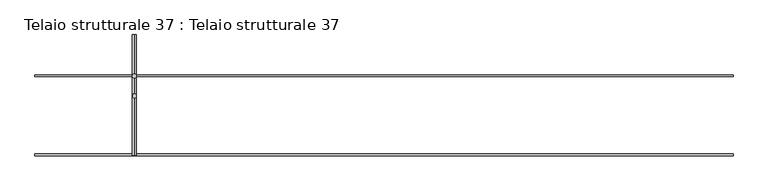
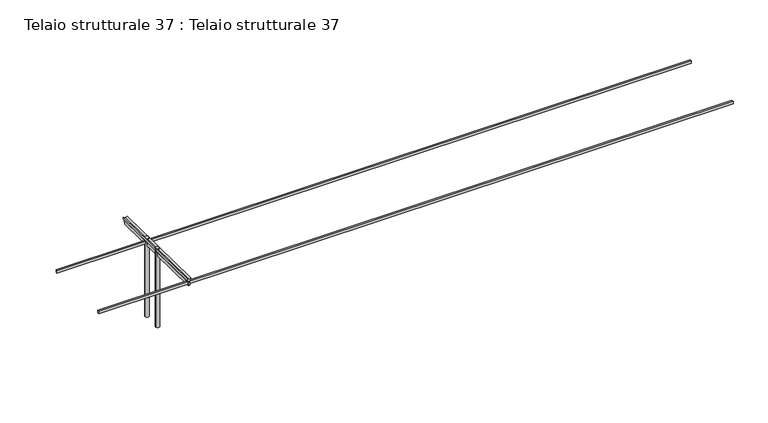
"""IFC4 building model written with IfcOpenShell, lengths in millimetres: beam geometry, Telaio strutturale 37 : Telaio strutturale 37."""

from ifc_helpers import new_model, si_unit, point, frame, frame_2d, origin, place, context, project, spatial, polyline, circle_curve, trimmed, segment, composite_curve, outline, extrude, source, transform, mapped, element, save


def telaio_strutturale_37_telaio_strutturale_37_7aaaa55e(model_context):
    return source(origin(), model_context, "Body", "SweptSolid", [
        extrude(outline(polyline([(-56047.6584895, 98763.4343272), (-56047.6584895, 98718.475019), (-73381.9771244, 98718.475019), (-73381.9771244, 98763.4343272), (-56047.6584895, 98763.4343272)])), frame((0.0, 0.0, -312.5), z_axis=(0.0, 0.0, 1.0), x_axis=(1.0, 0.0, 0.0)), (0.0, 0.0, 1.0), 69.0),
        extrude(outline(polyline([(-56047.6584895, 96795.8836994), (-56047.6584895, 96745.8836994), (-73381.9771244, 96745.8836994), (-73381.9771244, 96795.8836994), (-56047.6584895, 96795.8836994)])), frame((0.0, 0.0, -288.535578), z_axis=(0.0, 0.0, 1.0), x_axis=(1.0, 0.0, 0.0)), (0.0, 0.0, 1.0), 70.0),
        extrude(outline(polyline([(55.0, 0.0), (90.6307787, 42.2618262), (110.3377919, 1e-07), (97.4462151, -15.290757), (112.2378542, -47.0115294), (103.1747764, -51.2377121), (149.6627852, -150.9315687), (108.8789348, -169.9493904), (62.390926, -70.2555339), (53.3278481, -74.4817165), (38.5362089, -42.7609439), (16.3319907, -42.7609439), (-3.607765, 0.0), (55.0, 0.0)])), frame((-70961.8049822, 99761.9096789, -177.6942678), z_axis=(2.3026510564431654e-06, -0.9998668847666168, 0.016316027145080132), x_axis=(0.9061884721947285, -0.006897537941151485, -0.4228177820666181)), (0.0, 0.0, 1.0), 3014.9581714),
        extrude(outline(composite_curve([segment(trimmed(circle_curve(frame_2d((-70910.5795273, 98738.9352677)), 50.0), [point((-70960.5795273, 98738.9352677))], [point((-70860.5795273, 98738.9352677))], False, "CARTESIAN"), True, "CONTINUOUS"), segment(trimmed(circle_curve(frame_2d((-70910.5795273, 98738.9352677)), 50.0), [point((-70860.5795273, 98738.9352677))], [point((-70960.5795273, 98738.9352677))], False, "CARTESIAN"), True, "CONTINUOUS")], self_intersect=False)), frame((0.0, 0.0, -2420.5), z_axis=(0.0, 0.0, 1.0), x_axis=(1.0, 0.0, 0.0)), (0.0, 0.0, 1.0), 2267.4013682),
        extrude(outline(composite_curve([segment(trimmed(circle_curve(frame_2d((-70910.5795273, 98240.2930077)), 50.0), [point((-70960.5795273, 98240.2930077))], [point((-70860.5795273, 98240.2930077))], False, "CARTESIAN"), True, "CONTINUOUS"), segment(trimmed(circle_curve(frame_2d((-70910.5795273, 98240.2930077)), 50.0), [point((-70860.5795273, 98240.2930077))], [point((-70960.5795273, 98240.2930077))], False, "CARTESIAN"), True, "CONTINUOUS")], self_intersect=False)), frame((0.0, 0.0, -2420.5), z_axis=(0.0, 0.0, 1.0), x_axis=(1.0, 0.0, 0.0)), (0.0, 0.0, 1.0), 2267.4013682),
    ])


if __name__ == "__main__":
    model = new_model("IFC4")
    model_context = context("Model", 3, world=origin())
    ifc_project = project(units=[si_unit("LENGTHUNIT", "METRE", prefix="MILLI")], contexts=[model_context])
    site = spatial("IfcSite", under=ifc_project)
    building = spatial("IfcBuilding", under=site)
    placement = place(None, origin())
    telaio_strutturale_37_telaio_strutturale_37_shape = telaio_strutturale_37_telaio_strutturale_37_7aaaa55e(model_context)
    element("IfcBeam", 1, ObjectType="Telaio strutturale 37 : Telaio strutturale 37", at=placement, inside=building, context=model_context, shape_type="MappedRepresentation", body=[
        mapped(telaio_strutturale_37_telaio_strutturale_37_shape, transform((0.0, 0.0, 0.0), x_axis=(1.0, 0.0, 0.0), y_axis=(0.0, 1.0, 0.0), z_axis=(0.0, 0.0, 1.0))),
    ])
    save(model, "model.ifc")
